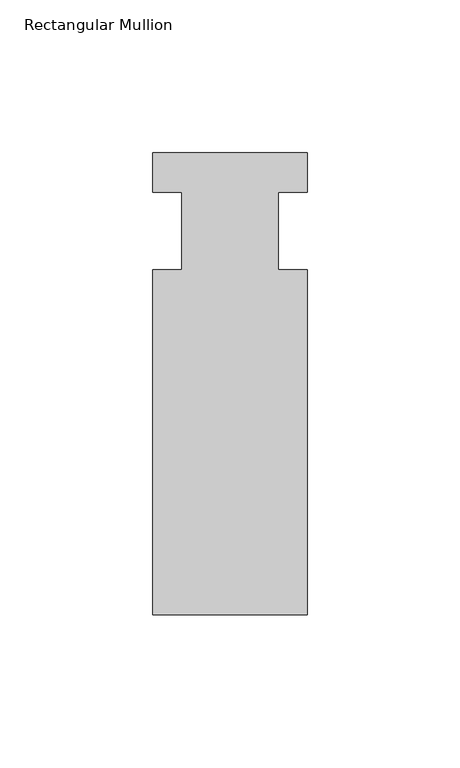
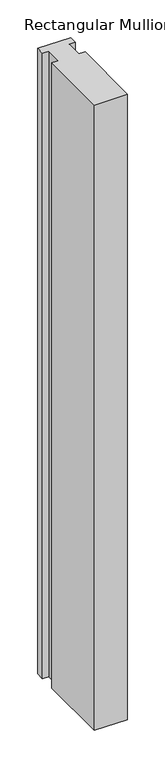
"""IFC4 building model written with IfcOpenShell, lengths in millimetres: member geometry, Rectangular Mullion."""

from ifc_helpers import new_model, si_unit, frame, origin, place, context, project, spatial, polyline, outline, extrude, source, transform, mapped, element, save


def rectangular_mullion_f08b5c56(model_context):
    return source(origin(), model_context, "Body", "SweptSolid", [
        extrude(outline(polyline([(-25.4, 25.796875), (25.4, 25.796875), (25.4, 12.7), (15.875, 12.7), (15.875, -12.7), (25.4, -12.7), (25.4, -125.809375), (-25.4, -125.809375), (-25.4, -12.7), (-15.875, -12.7), (-15.875, 12.7), (-25.4, 12.7), (-25.4, 25.796875)])), frame((0.0, 0.0, -1017.16492), z_axis=(0.0, 0.0, 1.0), x_axis=(1.0, 0.0, 0.0)), (0.0, 0.0, 1.0), 1017.16492),
    ])


if __name__ == "__main__":
    model = new_model("IFC4")
    model_context = context("Model", 3, world=origin())
    ifc_project = project(units=[si_unit("LENGTHUNIT", "METRE", prefix="MILLI")], contexts=[model_context])
    site = spatial("IfcSite", under=ifc_project)
    building = spatial("IfcBuilding", under=site)
    placement = place(None, origin())
    rectangular_mullion_shape = rectangular_mullion_f08b5c56(model_context)
    element("IfcMember", 1, ObjectType="Rectangular Mullion", at=placement, inside=building, context=model_context, shape_type="MappedRepresentation", body=[
        mapped(rectangular_mullion_shape, transform((0.0, 0.0, 0.0), x_axis=(1.0, 0.0, 0.0), y_axis=(0.0, 1.0, 0.0), z_axis=(0.0, 0.0, 1.0))),
    ])
    save(model, "model.ifc")
